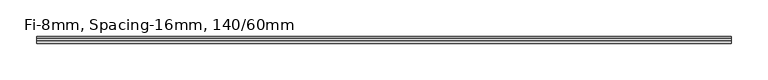
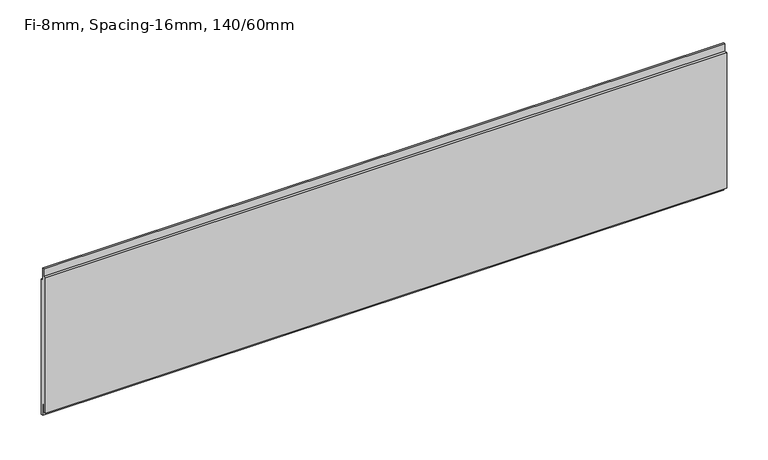
"""IFC4 building model written with IfcOpenShell, lengths in millimetres: plate geometry, Fi-8mm, Spacing-16mm, 140/60mm."""

from ifc_helpers import new_model, si_unit, frame, origin, place, context, project, spatial, polyline, outline, extrude, source, transform, mapped, element, save


def fi_8mm_spacing_16mm_140_60mm_b8d2facd(model_context):
    return source(origin(), model_context, "Body", "SweptSolid", [
        extrude(outline(polyline([(-1.0, 211.0), (2.0, 211.0), (2.0, 193.0), (5.0, 193.0), (5.0, -7.0), (2.0, -7.0), (2.0, 11.0), (-1.0, 11.0), (-1.0, 0.0), (-5.0, 0.0), (-5.0, 200.0), (-1.0, 200.0), (-1.0, 211.0)])), frame((-475.5, 0.0, 0.0), z_axis=(1.0, 0.0, 0.0), x_axis=(0.0, 1.0, 0.0)), (0.0, 0.0, 1.0), 951.0),
    ])


if __name__ == "__main__":
    model = new_model("IFC4")
    model_context = context("Model", 3, world=origin())
    ifc_project = project(units=[si_unit("LENGTHUNIT", "METRE", prefix="MILLI")], contexts=[model_context])
    site = spatial("IfcSite", under=ifc_project)
    building = spatial("IfcBuilding", under=site)
    placement = place(None, origin())
    fi_8mm_spacing_16mm_140_60mm_shape = fi_8mm_spacing_16mm_140_60mm_b8d2facd(model_context)
    element("IfcPlate", 1, ObjectType="Fi-8mm, Spacing-16mm, 140/60mm", at=placement, inside=building, context=model_context, shape_type="MappedRepresentation", body=[
        mapped(fi_8mm_spacing_16mm_140_60mm_shape, transform((0.0, 0.0, 0.0), x_axis=(1.0, 0.0, 0.0), y_axis=(0.0, 1.0, 0.0), z_axis=(0.0, 0.0, 1.0))),
    ])
    save(model, "model.ifc")
